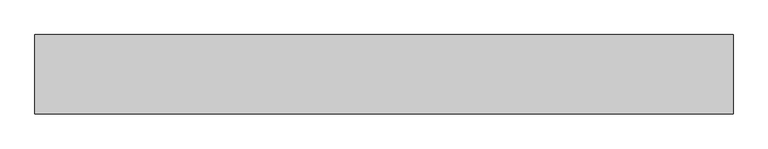
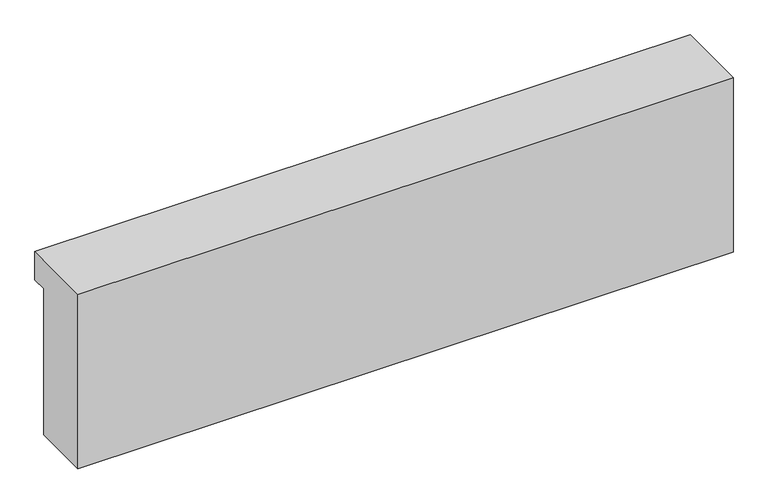
"""IFC4 building model written with IfcOpenShell, lengths in millimetres: fastener geometry."""

from ifc_helpers import new_model, si_unit, frame, origin, place, context, project, spatial, polyline, outline, extrude, source, transform, mapped, element, save


def fastener_a46fbb9f(model_context):
    return source(origin(), model_context, "Body", "SweptSolid", [
        extrude(outline(polyline([(9151.1979011, 7060.0), (8951.1979011, 7060.0), (8951.1979011, 7680.0), (9201.1979011, 7680.0), (9201.1979011, 7580.0), (9151.1979011, 7580.0), (9151.1979011, 7060.0)])), frame((-11967.9488808, 0.0, 0.0), z_axis=(1.0, 0.0, 0.0), x_axis=(0.0, 1.0, 0.0)), (0.0, 0.0, 1.0), 2200.0),
    ])


if __name__ == "__main__":
    model = new_model("IFC4")
    model_context = context("Model", 3, world=origin())
    ifc_project = project(units=[si_unit("LENGTHUNIT", "METRE", prefix="MILLI")], contexts=[model_context])
    site = spatial("IfcSite", under=ifc_project)
    building = spatial("IfcBuilding", under=site)
    placement = place(None, origin())
    fastener_shape = fastener_a46fbb9f(model_context)
    element("IfcFastener", 1, at=placement, inside=building, context=model_context, shape_type="MappedRepresentation", body=[
        mapped(fastener_shape, transform((0.0, 0.0, 0.0), x_axis=(1.0, 0.0, 0.0), y_axis=(0.0, 1.0, 0.0), z_axis=(0.0, 0.0, 1.0))),
    ])
    save(model, "model.ifc")
